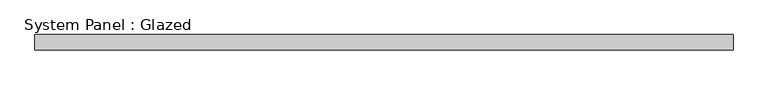
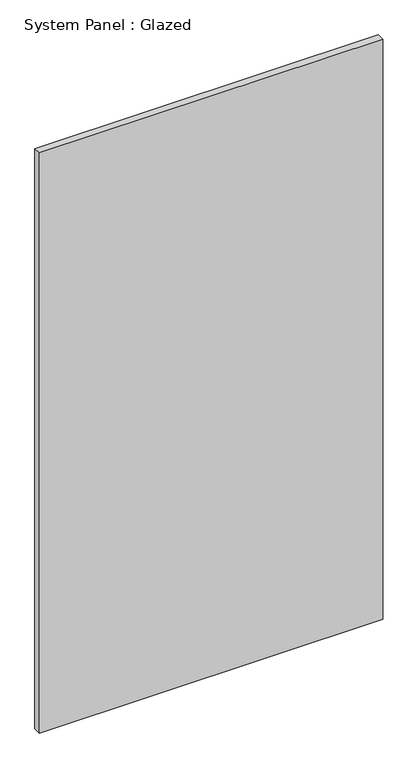
"""IFC4 building model written with IfcOpenShell, lengths in millimetres: plate geometry, System Panel : Glazed."""

from ifc_helpers import new_model, si_unit, origin, origin_with_axes, place, context, project, spatial, polyline, outline, extrude, source, transform, mapped, element, save


def system_panel_glazed_495b4423(model_context):
    return source(origin(), model_context, "Body", "SweptSolid", [
        extrude(outline(polyline([(586.58125, -44.45), (-586.58125, -44.45), (-586.58125, -19.05), (586.58125, -19.05), (586.58125, -44.45)])), origin_with_axes(), (0.0, 0.0, 1.0), 2095.5),
    ])


if __name__ == "__main__":
    model = new_model("IFC4")
    model_context = context("Model", 3, world=origin())
    ifc_project = project(units=[si_unit("LENGTHUNIT", "METRE", prefix="MILLI")], contexts=[model_context])
    site = spatial("IfcSite", under=ifc_project)
    building = spatial("IfcBuilding", under=site)
    placement = place(None, origin())
    system_panel_glazed_shape = system_panel_glazed_495b4423(model_context)
    element("IfcPlate", 1, ObjectType="System Panel : Glazed", at=placement, inside=building, context=model_context, shape_type="MappedRepresentation", body=[
        mapped(system_panel_glazed_shape, transform((0.0, 0.0, 0.0), x_axis=(1.0, 0.0, 0.0), y_axis=(0.0, 1.0, 0.0), z_axis=(0.0, 0.0, 1.0))),
    ])
    save(model, "model.ifc")
